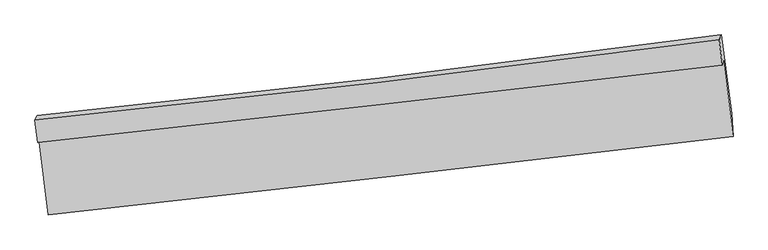
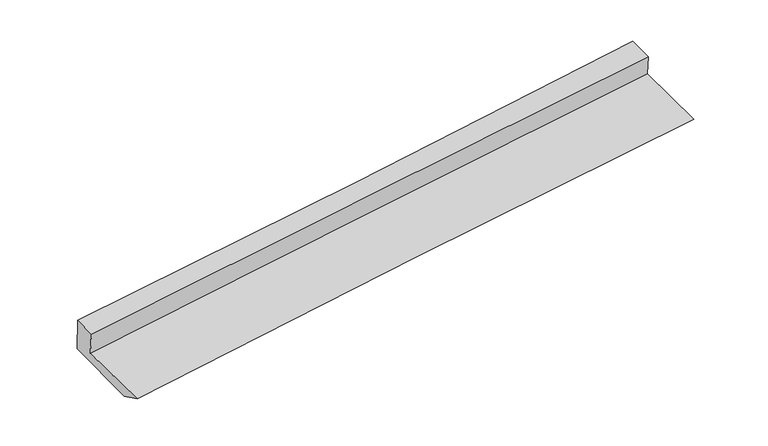
"""IFC4 building model written with IfcOpenShell, lengths in millimetres: proxy geometry."""

import ifcopenshell
import ifcopenshell.guid

model = None  # the IFC model being written
_history = None  # IfcOwnerHistory: only IFC2X3 demands one
_inside = {}  # id of a spatial element -> (the spatial element, [elements in it])
_under = {}  # id of a project, library or spatial element -> (it, [spatial elements below it])
_declared = {}  # id of a project -> (the project, [libraries it declares])
_typed = {}  # id of a type object -> (the type object, [elements of that type])
_made_of = {}  # id of a material, layer set ... -> (it, [elements and type objects made of it])


def new_model(schema):
    """Start an empty IFC model of exactly this schema.

    Asked for "IFC4X3", IfcOpenShell would pick the latest addendum, in which some entities
    have other attributes; the version numbers below select the first issue.
    IFC2X3 requires an IfcOwnerHistory on every rooted entity: one is made here for all.
    """
    global model, _history
    if schema == "IFC4X3":
        model = ifcopenshell.file(schema_version=(4, 3, 0, 0))
    else:
        model = ifcopenshell.file(schema=schema)
    _inside.clear()
    _under.clear()
    _declared.clear()
    _typed.clear()
    _made_of.clear()
    _history = None
    if model.schema == "IFC2X3":
        org = make("IfcOrganization", Name="unknown")
        user = make(
            "IfcPersonAndOrganization",
            ThePerson=make("IfcPerson", FamilyName="unknown"),
            TheOrganization=org,
        )
        app = make(
            "IfcApplication",
            ApplicationDeveloper=org,
            Version="unknown",
            ApplicationFullName="unknown",
            ApplicationIdentifier="unknown",
        )
        _history = make(
            "IfcOwnerHistory",
            OwningUser=user,
            OwningApplication=app,
            ChangeAction="ADDED",
            CreationDate=0,
        )
    return model


def make(cls, **values):
    """One entity of the class cls with the attributes given. An attribute that is None is left unset."""
    return model.create_entity(
        cls, **{name: value for name, value in values.items() if value is not None}
    )


def rooted(cls, **values):
    """An entity with a GlobalId (a new one), such as an element, a storey or a relation."""
    return make(cls, GlobalId=ifcopenshell.guid.new(), OwnerHistory=_history, **values)


def si_unit(unit_type, name, prefix=None):
    """IfcSIUnit, for example si_unit("LENGTHUNIT", "METRE", prefix="MILLI")."""
    return make("IfcSIUnit", UnitType=unit_type, Prefix=prefix, Name=name)


def assignment(units):
    """IfcUnitAssignment: the units of a project."""
    return None if units is None else make("IfcUnitAssignment", Units=units)


def point(xyz):
    """IfcCartesianPoint."""
    return None if xyz is None else make("IfcCartesianPoint", Coordinates=xyz)


def direction(xyz):
    """IfcDirection."""
    return None if xyz is None else make("IfcDirection", DirectionRatios=xyz)


def frame(location, z_axis=None, x_axis=None):
    """IfcAxis2Placement3D, a coordinate frame: its origin and axes. An axis left out is left unset."""
    return make(
        "IfcAxis2Placement3D",
        Location=point(location),
        Axis=direction(z_axis),
        RefDirection=direction(x_axis),
    )


def origin():
    """The frame at (0, 0, 0) with its axes left unset."""
    return frame((0.0, 0.0, 0.0))


def place(relative_to, where):
    """IfcLocalPlacement: puts the frame where relative to a parent placement (None: the world)."""
    return make(
        "IfcLocalPlacement", PlacementRelTo=relative_to, RelativePlacement=where
    )


def context(
    kind, dimensions, precision=None, world=None, true_north=None, identifier=None
):
    """IfcGeometricRepresentationContext, for example the 3D "Model" context."""
    return make(
        "IfcGeometricRepresentationContext",
        ContextIdentifier=identifier,
        ContextType=kind,
        CoordinateSpaceDimension=dimensions,
        Precision=precision,
        WorldCoordinateSystem=world,
        TrueNorth=true_north,
    )


def project(units=None, contexts=None):
    """IfcProject with its units and contexts."""
    return rooted(
        "IfcProject",
        Name="project",
        RepresentationContexts=contexts,
        UnitsInContext=assignment(units),
    )


def spatial(cls, under=None, at=None, **own):
    """A site, building, storey or space (cls), placed at a placement, below another one or the project."""
    s = rooted(cls, ObjectPlacement=at, **own)
    if under is not None:
        _under.setdefault(under.id(), (under, []))[1].append(s)
    return s


def shape(context_of_items, identifier, shape_type, items):
    """IfcShapeRepresentation: the items that make up one representation, for example the "Body"."""
    return make(
        "IfcShapeRepresentation",
        ContextOfItems=context_of_items,
        RepresentationIdentifier=identifier,
        RepresentationType=shape_type,
        Items=items,
    )


def source(mapping_origin, context_of_items, identifier, shape_type, items):
    """IfcRepresentationMap: a shape defined once, which mapped items show again and again."""
    return make(
        "IfcRepresentationMap",
        MappingOrigin=mapping_origin,
        MappedRepresentation=shape(context_of_items, identifier, shape_type, items),
    )


def transform(
    local_origin,
    x_axis=None,
    y_axis=None,
    z_axis=None,
    scale=None,
    scale2=None,
    scale3=None,
    uniform=True,
):
    """IfcCartesianTransformationOperator3D, or its non-uniform kind. x_axis, y_axis, z_axis: its Axis1, 2, 3."""
    if uniform:
        return make(
            "IfcCartesianTransformationOperator3D",
            Axis1=direction(x_axis),
            Axis2=direction(y_axis),
            LocalOrigin=point(local_origin),
            Scale=scale,
            Axis3=direction(z_axis),
        )
    return make(
        "IfcCartesianTransformationOperator3DnonUniform",
        Axis1=direction(x_axis),
        Axis2=direction(y_axis),
        LocalOrigin=point(local_origin),
        Scale=scale,
        Axis3=direction(z_axis),
        Scale2=scale2,
        Scale3=scale3,
    )


def mapped(mapping_source, mapping_target):
    """IfcMappedItem: shows the shape of a source again, moved by a transform."""
    return make(
        "IfcMappedItem", MappingSource=mapping_source, MappingTarget=mapping_target
    )


def made_of(thing, what):
    """Note that an element or type object is made of a material, layer set ...; save() writes the relation."""
    if what is not None:
        _made_of.setdefault(what.id(), (what, []))[1].append(thing)
    return thing


def element(
    cls,
    number,
    at=None,
    inside=None,
    cuts=None,
    type_object=None,
    material=None,
    context=None,
    identifier="Body",
    shape_type=None,
    held_by="IfcProductDefinitionShape",
    body=None,
    shapes=None,
    **own,
):
    """One element of the class cls, such as IfcWall. Its Tag is "e" and its number.

    at: its placement. inside: the storey or other place that contains it. cuts: it is an
    opening in that element (IfcRelVoidsElement). A single representation is given by context,
    identifier, shape_type and body (its items); several are given by shapes. held_by: the class
    of the entity that holds the representations. save() writes the other relations.
    """
    e = rooted(cls, Tag="e%d" % number, ObjectPlacement=at, **own)
    if body is not None:
        shapes = [shape(context, identifier, shape_type, body)]
    if shapes is not None:
        e.Representation = make(held_by, Representations=shapes)
    if inside is not None:
        _inside.setdefault(inside.id(), (inside, []))[1].append(e)
    if cuts is not None:
        rooted(
            "IfcRelVoidsElement", RelatingBuildingElement=cuts, RelatedOpeningElement=e
        )
    if type_object is not None:
        _typed.setdefault(type_object.id(), (type_object, []))[1].append(e)
    return made_of(e, material)


def aggregate(whole, parts):
    """IfcRelAggregates: a whole, such as a stair, and the parts it consists of."""
    return rooted("IfcRelAggregates", RelatingObject=whole, RelatedObjects=parts)


def save(model, path):
    """Write the relations noted so far, then the file.

    IfcRelAggregates (storeys below a building ...), IfcRelContainedInSpatialStructure (elements
    in a storey), IfcRelDefinesByType, IfcRelAssociatesMaterial and IfcRelDeclares: one each for
    every whole, place, type object, material and project.
    """
    for whole, parts in _under.values():
        aggregate(whole, parts)
    for where, things in _inside.values():
        rooted(
            "IfcRelContainedInSpatialStructure",
            RelatedElements=things,
            RelatingStructure=where,
        )
    for kind, things in _typed.values():
        rooted("IfcRelDefinesByType", RelatedObjects=things, RelatingType=kind)
    for what, things in _made_of.values():
        rooted("IfcRelAssociatesMaterial", RelatedObjects=things, RelatingMaterial=what)
    for by, libraries in _declared.values():
        rooted("IfcRelDeclares", RelatingContext=by, RelatedDefinitions=libraries)
    model.write(path)


def plane_surface(at):
    """IfcPlane: the flat surface through the origin of the frame at, square to its z axis."""
    return make("IfcPlane", Position=at)


def spline_curve(degree, points, multiplicities, knots, weights=None):
    """IfcBSplineCurveWithKnots; with weights, IfcRationalBSplineCurveWithKnots."""
    own = dict(
        Degree=degree,
        ControlPointsList=[point(p) for p in points],
        CurveForm="UNSPECIFIED",
        ClosedCurve=False,
        SelfIntersect=False,
        KnotMultiplicities=multiplicities,
        Knots=knots,
        KnotSpec="UNSPECIFIED",
    )
    if weights is None:
        return make("IfcBSplineCurveWithKnots", **own)
    return make("IfcRationalBSplineCurveWithKnots", WeightsData=weights, **own)


def spline_surface(u_degree, v_degree, points, u_multiplicities, v_multiplicities, u_knots, v_knots, weights=None):
    """IfcBSplineSurfaceWithKnots; with weights, IfcRationalBSplineSurfaceWithKnots. points: one row for each step in u."""
    own = dict(
        UDegree=u_degree,
        VDegree=v_degree,
        ControlPointsList=[[point(p) for p in row] for row in points],
        SurfaceForm="UNSPECIFIED",
        UClosed=False,
        VClosed=False,
        SelfIntersect=False,
        UMultiplicities=u_multiplicities,
        VMultiplicities=v_multiplicities,
        UKnots=u_knots,
        VKnots=v_knots,
        KnotSpec="UNSPECIFIED",
    )
    if weights is None:
        return make("IfcBSplineSurfaceWithKnots", **own)
    return make("IfcRationalBSplineSurfaceWithKnots", WeightsData=weights, **own)


def advanced_brep(points, edges, surfaces, faces):
    """IfcAdvancedBrep: a solid bounded by faces that lie on surfaces and meet in shared edges.

    An edge is (start, end): straight between two places in points (the first is 0);
    or (start, end, curve); or (start, end, curve, False) where it runs against its curve.
    A face is (place in surfaces, loops), or (place, loops, False) where it looks against
    its surface's normal. A loop lists edges by number (the first is 1), with a minus sign
    where the edge is run from its end to its start. The first loop is the outer one.
    """
    corners = [point(p) for p in points]
    vertices = [make("IfcVertexPoint", VertexGeometry=c) for c in corners]
    made = []
    for start, end, *more in edges:
        made.append(
            make(
                "IfcEdgeCurve",
                EdgeStart=vertices[start],
                EdgeEnd=vertices[end],
                EdgeGeometry=more[0] if more else make("IfcPolyline", Points=[corners[start], corners[end]]),
                SameSense=more[1] if len(more) > 1 else True,
            )
        )
    hull = []
    for where, loops, *sense in faces:
        bounds = []
        for j, loop in enumerate(loops):
            ring = [make("IfcOrientedEdge", EdgeElement=made[abs(k) - 1], Orientation=k > 0) for k in loop]
            bounds.append(
                make(
                    "IfcFaceOuterBound" if j == 0 else "IfcFaceBound",
                    Bound=make("IfcEdgeLoop", EdgeList=ring),
                    Orientation=True,
                )
            )
        hull.append(make("IfcAdvancedFace", Bounds=bounds, FaceSurface=surfaces[where], SameSense=sense[0] if sense else True))
    return make("IfcAdvancedBrep", Outer=make("IfcClosedShell", CfsFaces=hull))


def generic_models_ef252b95(model_context):
    return source(origin(), model_context, "Body", "AdvancedBrep", [
        advanced_brep(
        [(-2962.7380521, -1847.2585169, 1720.9486533), (-2883.8660118, -2510.395418, 1621.2191923), (3000.6139601, -1834.9744145, 2069.5124527), (2918.7500048, -1183.8632072, 2177.3387366), (-2974.1536792, -1887.9583707, 1952.04259), (2908.5504141, -1220.2441993, 2383.9135403), (-2997.4290131, -1693.9971313, 1984.2186574), (2881.1016764, -1001.928572, 2420.0673686), (-2979.2485575, -1654.7838435, 1656.7680693), (2900.5056707, -960.9764589, 2073.5244266), (-2898.8355991, -2318.9081604, 1536.11858), (2986.9746015, -1637.0846282, 1940.518172)],
        [
            (0, 1),
            (1, 2, spline_curve(3, [(-2883.8660118, -2510.395418, 1621.2191923), (-1903.158951074, -2401.834587169, 1710.825475512), (-922.124726449, -2291.23255451, 1793.005139551), (1039.369416507, -2066.087112346, 1942.417642408), (2019.828515483, -1951.548810248, 2009.669064907), (3000.6139601, -1834.9744145, 2069.5124527)], [4, 2, 4], [0.0, 9.747487985480646, 19.48277239925249])),
            (2, 3),
            (3, 0, spline_curve(3, [(2918.7500048, -1183.8632072, 2177.3387366), (1939.13103612, -1301.146525061, 2112.378911672), (959.504554367, -1415.038624319, 2041.893777921), (-1000.991445895, -1636.178901391, 1889.777611123), (-1981.860983162, -1743.418572554, 1808.13271694), (-2962.7380521, -1847.2585169, 1720.9486533)], [4, 2, 4], [0.0, 9.735284413771844, 19.48277239925249])),
            (4, 0),
            (3, 5),
            (5, 4, spline_curve(3, [(2908.5504141, -1220.2441993, 2383.9135403), (1928.970146278, -1337.386375268, 2318.151654146), (949.261818041, -1451.567313535, 2249.305940876), (-1011.639225279, -1674.146132646, 2105.356693543), (-1992.832261083, -1782.53658483, 2030.245423385), (-2974.1536792, -1887.9583707, 1952.04259)], [4, 2, 4], [0.0, 9.73201361752613, 19.476226706686035])),
            (6, 4),
            (5, 7),
            (7, 6, spline_curve(3, [(2881.1016764, -1001.928572, 2420.0673686), (1903.676062027, -1134.544469613, 2351.753408269), (925.39308323, -1258.494105423, 2281.299793875), (-1034.114995747, -1489.205365937, 2136.022257534), (-2015.342246721, -1595.945249908, 2061.192968522), (-2997.4290131, -1693.9971313, 1984.2186574)], [4, 2, 4], [0.0, 9.73109093488328, 19.474380184780422])),
            (8, 6),
            (7, 9),
            (9, 8, spline_curve(3, [(2900.5056707, -960.9764589, 2073.5244266), (1922.909676161, -1094.019866586, 2008.062735764), (944.439619922, -1218.328112136, 1940.625186498), (-1015.476263678, -1449.619153585, 1801.711357395), (-1996.924283373, -1556.58003634, 1730.230121196), (-2979.2485575, -1654.7838435, 1656.7680693)], [4, 2, 4], [0.0, 9.730469368616067, 19.473136273087608])),
            (10, 8),
            (9, 11),
            (11, 10, spline_curve(3, [(2986.9746015, -1637.0846282, 1940.518172), (2007.786400732, -1762.642295327, 1874.801328792), (1028.015710372, -1882.20792241, 1808.26456389), (-933.919562028, -2109.497465263, 1673.466756986), (-1916.085604944, -2217.206348993, 1605.20365759), (-2898.8355991, -2318.9081604, 1536.11858)], [4, 2, 4], [0.0, 9.733467884983297, 19.479137064583284])),
            (1, 10),
            (11, 2),
        ],
        [
            spline_surface(3, 3, [[(-2962.7380521, -1847.2585169, 1720.9486533), (-1981.86098309, -1743.418572409, 1808.132717079), (-1000.991445817, -1636.178901494, 1889.777611179), (959.504554288, -1415.038624216, 2041.893777866), (1939.13103601, -1301.14652521, 2112.378911539), (2918.7500048, -1183.8632072, 2177.3387366)], [(-2936.447372027, -2068.304150583, 1687.705499604), (-1955.62697249, -1962.890577311, 1775.69696981), (-974.702539304, -1854.530119188, 1857.520120659), (986.126174991, -1632.054786884, 2008.735065995), (1966.030195813, -1517.947286881, 2078.142295935), (2946.037989909, -1400.900276267, 2141.396641954)], [(-2910.156691873, -2289.349784317, 1654.462345996), (-1929.392961809, -2182.362582264, 1743.26122263), (-948.413632822, -2072.881336913, 1825.262630182), (1012.747795664, -1849.070949582, 1975.576354167), (1992.929355589, -1734.74804865, 2043.90568037), (2973.325974991, -1617.937345433, 2105.454547346)], [(-2883.8660118, -2510.395418, 1621.2191923), (-1903.158951208, -2401.834587167, 1710.825475362), (-922.124726309, -2291.232554606, 1793.005139663), (1039.369416367, -2066.08711225, 1942.417642296), (2019.828515391, -1951.548810322, 2009.669064767), (3000.6139601, -1834.9744145, 2069.5124527)]], [4, 4], [4, 2, 4], [0.0, 2.182204619906204], [0.0, 9.747487985480646, 19.48277239925249]),
            spline_surface(3, 3, [[(-2974.1536792, -1887.9583707, 1952.04259), (-1992.832261189, -1782.536584967, 2030.245423513), (-1011.639225203, -1674.146132668, 2105.356693616), (949.261817965, -1451.567313512, 2249.305940803), (1928.970146423, -1337.386375293, 2318.151654127), (2908.5504141, -1220.2441993, 2383.9135403)], [(-2970.348470164, -1874.391752785, 1875.011277796), (-1989.175168486, -1769.497247466, 1956.20785473), (-1008.089965398, -1661.490388953, 2033.496999468), (952.676063416, -1439.391083756, 2180.168553155), (1932.357109612, -1325.306425268, 2249.560739955), (2911.950277661, -1208.117201936, 2315.055272423)], [(-2966.543261136, -1860.825134815, 1797.979965504), (-1985.518075793, -1756.45790991, 1882.170285862), (-1004.540705622, -1648.83464521, 1961.637305327), (956.090308838, -1427.214853972, 2111.031165514), (1935.74407282, -1313.226475235, 2180.969825712), (2915.350141239, -1195.990204564, 2246.197004477)], [(-2962.7380521, -1847.2585169, 1720.9486533), (-1981.86098309, -1743.418572409, 1808.132717079), (-1000.991445817, -1636.178901494, 1889.777611179), (959.504554288, -1415.038624216, 2041.893777866), (1939.13103601, -1301.14652521, 2112.378911539), (2918.7500048, -1183.8632072, 2177.3387366)]], [4, 4], [4, 2, 4], [0.0, 0.7054122400665485], [0.0, 9.744213089159905, 19.476226706686035]),
            spline_surface(3, 3, [[(-2997.4290131, -1693.9971313, 1984.2186574), (-2015.342246742, -1595.945249795, 2061.192968426), (-1034.114995752, -1489.20536587, 2136.022257668), (925.393083235, -1258.49410549, 2281.299793741), (1903.676062112, -1134.544469604, 2351.753408257), (2881.1016764, -1001.928572, 2420.0673686)], [(-2989.670568468, -1758.650877766, 1973.49330157), (-2007.838918226, -1658.142361518, 2050.877120092), (-1026.623072234, -1550.852288155, 2125.800403007), (933.349328146, -1322.851841517, 2270.635176118), (1912.107423559, -1202.158438169, 2340.552823533), (2890.251255644, -1074.700447769, 2408.016092485)], [(-2981.912123832, -1823.304624234, 1962.76794583), (-2000.335589706, -1720.339473244, 2040.561271847), (-1019.131148721, -1612.499210383, 2115.578548278), (941.305573054, -1387.209577486, 2259.970558427), (1920.538784975, -1269.772406727, 2329.352238852), (2899.400834856, -1147.472323531, 2395.964816415)], [(-2974.1536792, -1887.9583707, 1952.04259), (-1992.832261189, -1782.536584967, 2030.245423513), (-1011.639225203, -1674.146132668, 2105.356693616), (949.261817965, -1451.567313512, 2249.305940803), (1928.970146423, -1337.386375293, 2318.151654127), (2908.5504141, -1220.2441993, 2383.9135403)]], [4, 4], [4, 2, 4], [0.0, 0.6331267017841387], [0.0, 9.743289249897142, 19.474380184780422]),
            spline_surface(3, 3, [[(-2979.2485575, -1654.7838435, 1656.7680693), (-1996.924283324, -1556.580036464, 1730.230121101), (-1015.476263558, -1449.619153699, 1801.711357437), (944.439619802, -1218.328112023, 1940.625186456), (1922.909676083, -1094.019866575, 2008.062735898), (2900.5056707, -960.9764589, 2073.5244266)], [(-2985.308709347, -1667.854939421, 1765.918265344), (-2003.063604443, -1569.701774229, 1840.55107022), (-1021.689174298, -1462.814557756, 1913.148324188), (938.090774271, -1231.716776512, 2054.183388892), (1916.498471419, -1107.528067588, 2122.626293354), (2894.037672593, -974.62716327, 2189.038740603)], [(-2991.368861253, -1680.926035379, 1875.068461356), (-2009.202925623, -1582.823512031, 1950.872019307), (-1027.902085011, -1476.009961812, 2024.585290917), (931.741928767, -1245.105441, 2167.741591306), (1910.087266776, -1121.036268591, 2237.189850801), (2887.569674507, -988.27786763, 2304.553054597)], [(-2997.4290131, -1693.9971313, 1984.2186574), (-2015.342246742, -1595.945249795, 2061.192968426), (-1034.114995752, -1489.20536587, 2136.022257668), (925.393083235, -1258.49410549, 2281.299793741), (1903.676062112, -1134.544469604, 2351.753408257), (2881.1016764, -1001.928572, 2420.0673686)]], [4, 4], [4, 2, 4], [0.0, 1.116661116597361], [0.0, 9.742666904471541, 19.473136273087608]),
            spline_surface(3, 3, [[(-2898.8355991, -2318.9081604, 1536.11858), (-1916.08560506, -2217.206348874, 1605.203657688), (-933.919561975, -2109.497465165, 1673.466756884), (1028.015710319, -1882.207922507, 1808.264563992), (2007.786400717, -1762.642295443, 1874.801328784), (2986.9746015, -1637.0846282, 1940.518172)], [(-2925.639918563, -2097.533388108, 1576.33507643), (-1943.031831144, -1996.997578079, 1646.879145489), (-961.10512919, -1889.538027996, 1716.214957045), (1000.15701346, -1660.914652332, 1852.384771457), (1979.494159161, -1539.768152482, 1919.221797808), (2958.151624555, -1411.715238428, 1984.853590186)], [(-2952.444238037, -1876.158615792, 1616.55157287), (-1969.97805724, -1776.788807259, 1688.554633301), (-988.290696344, -1669.578590868, 1758.963157276), (972.298316661, -1439.621382198, 1896.504978991), (1951.201917639, -1316.894009536, 1963.642266874), (2929.328647645, -1186.345848672, 2029.189008414)], [(-2979.2485575, -1654.7838435, 1656.7680693), (-1996.924283324, -1556.580036464, 1730.230121101), (-1015.476263558, -1449.619153699, 1801.711357437), (944.439619802, -1218.328112023, 1940.625186456), (1922.909676083, -1094.019866575, 2008.062735898), (2900.5056707, -960.9764589, 2073.5244266)]], [4, 4], [4, 2, 4], [0.0, 2.2297059023884396], [0.0, 9.745669179599988, 19.479137064583284]),
            spline_surface(3, 3, [[(-2883.8660118, -2510.395418, 1621.2191923), (-1903.158951208, -2401.834587167, 1710.825475362), (-922.124726309, -2291.232554606, 1793.005139663), (1039.369416367, -2066.08711225, 1942.417642296), (2019.828515391, -1951.548810322, 2009.669064767), (3000.6139601, -1834.9744145, 2069.5124527)], [(-2888.855874232, -2446.566332137, 1592.852321557), (-1907.467835825, -2340.291841073, 1675.618202827), (-926.05633819, -2230.654191454, 1753.15901208), (1035.584847693, -2004.794048997, 1897.699949538), (2015.814477171, -1888.579972058, 1964.713152788), (2996.067507238, -1769.011152429, 2026.514359149)], [(-2893.845736668, -2382.737246263, 1564.485450743), (-1911.776720444, -2278.749094968, 1640.410930222), (-929.987950095, -2170.075828317, 1713.312884468), (1031.800278994, -1943.50098576, 1852.982256751), (2011.800438937, -1825.611133707, 1919.757240763), (2991.521054362, -1703.047890271, 1983.516265551)], [(-2898.8355991, -2318.9081604, 1536.11858), (-1916.08560506, -2217.206348874, 1605.203657688), (-933.919561975, -2109.497465165, 1673.466756884), (1028.015710319, -1882.207922507, 1808.264563992), (2007.786400717, -1762.642295443, 1874.801328784), (2986.9746015, -1637.0846282, 1940.518172)]], [4, 4], [4, 2, 4], [0.0, 0.73096822937261], [0.0, 9.749482189819846, 19.486758311245005]),
            plane_surface(frame((2932.7493879, -1306.5119134, 2177.4791161), z_axis=(0.9911802764928962, 0.1132142520718638, 0.06887809970719544), x_axis=(-0.05552035355901465, -0.11717565781849287, 0.9915580444711674))),
            plane_surface(frame((-2949.3784855, -1985.5502401, 1745.2192904), z_axis=(-0.9918520797178887, -0.10774638534861718, -0.06797182065831688), x_axis=(-0.1168100023154765, 0.9821100447248303, 0.14769997769008045))),
        ],
        [
            (0, [[1, 2, 3, 4]]),
            (1, [[5, -4, 6, 7]]),
            (2, [[8, -7, 9, 10]]),
            (3, [[11, -10, 12, 13]]),
            (4, [[14, -13, 15, 16]]),
            (5, [[17, -16, 18, -2]]),
            (6, [[-12, -9, -6, -3, -18, -15]]),
            (7, [[-1, -5, -8, -11, -14, -17]]),
        ],
    ),
    ])


if __name__ == "__main__":
    model = new_model("IFC4")
    model_context = context("Model", 3, world=origin())
    ifc_project = project(units=[si_unit("LENGTHUNIT", "METRE", prefix="MILLI")], contexts=[model_context])
    site = spatial("IfcSite", under=ifc_project)
    building = spatial("IfcBuilding", under=site)
    placement = place(None, origin())
    generic_models_shape = generic_models_ef252b95(model_context)
    element("IfcBuildingElementProxy", 1, Name="Generic Models", at=placement, inside=building, context=model_context, shape_type="MappedRepresentation", body=[
        mapped(generic_models_shape, transform((0.0, 0.0, 0.0), x_axis=(1.0, 0.0, 0.0), y_axis=(0.0, 1.0, 0.0), z_axis=(0.0, 0.0, 1.0))),
    ])
    save(model, "model.ifc")
